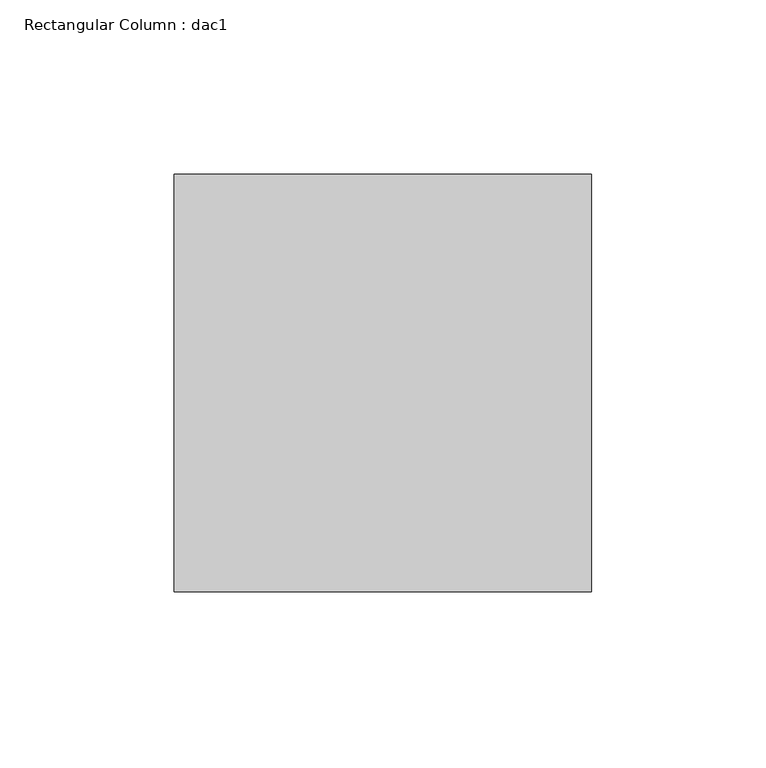
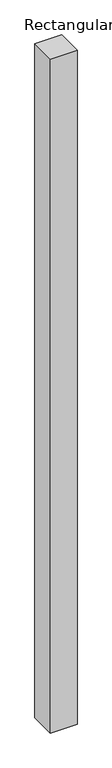
"""IFC4 building model written with IfcOpenShell, lengths in millimetres: column geometry, Rectangular Column : dac1."""

from ifc_helpers import new_model, si_unit, frame, origin, place, context, project, spatial, polyline, outline, extrude, source, transform, mapped, element, save


def rectangular_column_dac1_7521a485(model_context):
    return source(origin(), model_context, "Body", "SweptSolid", [
        extrude(outline(polyline([(60.0, 60.0), (60.0, -60.0), (-60.0, -60.0), (-60.0, 60.0), (60.0, 60.0)])), frame((0.0, 0.0, 3200.0), z_axis=(0.0, 0.0, 1.0), x_axis=(1.0, 0.0, 0.0)), (0.0, 0.0, 1.0), 3200.0),
    ])


if __name__ == "__main__":
    model = new_model("IFC4")
    model_context = context("Model", 3, world=origin())
    ifc_project = project(units=[si_unit("LENGTHUNIT", "METRE", prefix="MILLI")], contexts=[model_context])
    site = spatial("IfcSite", under=ifc_project)
    building = spatial("IfcBuilding", under=site)
    placement = place(None, origin())
    rectangular_column_dac1_shape = rectangular_column_dac1_7521a485(model_context)
    element("IfcColumn", 1, ObjectType="Rectangular Column : dac1", at=placement, inside=building, context=model_context, shape_type="MappedRepresentation", body=[
        mapped(rectangular_column_dac1_shape, transform((0.0, 0.0, 0.0), x_axis=(1.0, 0.0, 0.0), y_axis=(0.0, 1.0, 0.0), z_axis=(0.0, 0.0, 1.0))),
    ])
    save(model, "model.ifc")
